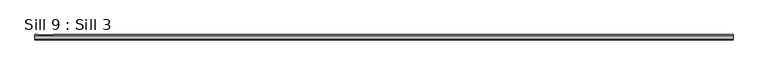
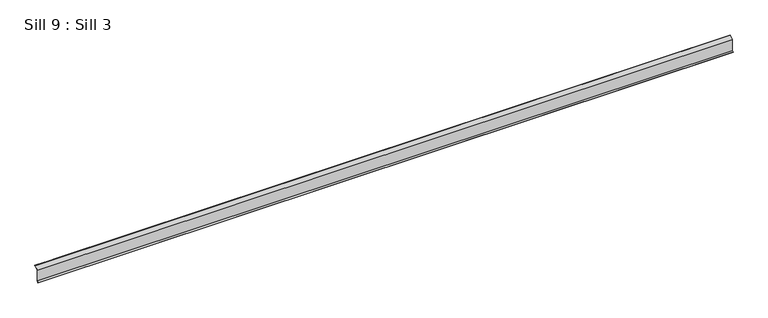
"""IFC4 building model written with IfcOpenShell, lengths in millimetres: proxy geometry, Sill 9 : Sill 3."""

from ifc_helpers import new_model, si_unit, origin, place, context, project, spatial, faceted_brep, source, transform, mapped, element, save


def sill_9_sill_3_537d066c(model_context):
    return source(origin(), model_context, "Body", "Brep", [
        faceted_brep([(-5138.1633868, 6429.5622728, 752.7525091), (-5138.1633868, 6429.5622728, 831.277921), (-5138.1633868, 6453.4169607, 850.3395612), (-5138.1633868, 6458.4635303, 848.987337), (-5138.1633868, 6458.0551129, 847.4631024), (-5138.1633868, 6453.8405623, 848.5923879), (-5138.1633868, 6431.1297252, 830.4447681), (-5138.1633868, 6431.1297252, 752.097207), (-5138.1633868, 6422.1620975, 743.1295793), (-5138.1633868, 6421.0507203, 744.2409566), (-295.6512864, 6453.4169607, 850.3395612), (-295.6512864, 6429.5622728, 831.277921), (-295.6512864, 6429.5622728, 752.7525091), (-295.6512864, 6421.0507203, 744.2409566), (-295.6512864, 6422.1620975, 743.1295793), (-295.6512864, 6431.1297252, 752.097207), (-295.6512864, 6431.1297252, 830.4447681), (-295.6512864, 6453.8405623, 848.5923879), (-295.6512864, 6458.0551129, 847.4631024), (-295.6512864, 6458.4635303, 848.987337), (-5117.4847818, 6458.0551129, 847.4631024), (-5117.4847818, 6454.4763989, 848.422016), (-5010.5881444, 6454.4763989, 848.422016), (-5010.5881444, 6458.0551129, 847.4631024), (-5117.4847818, 6458.4635303, 848.987337), (-5010.5881444, 6458.4635303, 848.987337), (-5010.5881444, 6454.8848163, 849.9462505), (-5117.4847818, 6454.8848163, 849.9462505)], [[[0, 1, 2, 3, 4, 5, 6, 7, 8, 9]], [[10, 11, 12, 13, 14, 15, 16, 17, 18, 19]], [[1, 0, 12, 11]], [[0, 9, 13, 12]], [[9, 8, 14, 13]], [[8, 7, 15, 14]], [[7, 6, 16, 15]], [[6, 5, 17, 16]], [[5, 4, 20, 21, 22, 23, 18, 17]], [[4, 3, 24, 20]], [[3, 2, 10, 19, 25, 26, 27, 24]], [[2, 1, 11, 10]], [[19, 18, 23, 25]], [[27, 21, 20, 24]], [[22, 26, 25, 23]], [[26, 22, 21, 27]]]),
    ])


if __name__ == "__main__":
    model = new_model("IFC4")
    model_context = context("Model", 3, world=origin())
    ifc_project = project(units=[si_unit("LENGTHUNIT", "METRE", prefix="MILLI")], contexts=[model_context])
    site = spatial("IfcSite", under=ifc_project)
    building = spatial("IfcBuilding", under=site)
    placement = place(None, origin())
    sill_9_sill_3_shape = sill_9_sill_3_537d066c(model_context)
    element("IfcBuildingElementProxy", 1, Name="Sill 9 : Sill 3", ObjectType="Sill 9 : Sill 3", at=placement, inside=building, context=model_context, shape_type="MappedRepresentation", body=[
        mapped(sill_9_sill_3_shape, transform((0.0, 0.0, 0.0), x_axis=(1.0, 0.0, 0.0), y_axis=(0.0, 1.0, 0.0), z_axis=(0.0, 0.0, 1.0))),
    ])
    save(model, "model.ifc")
